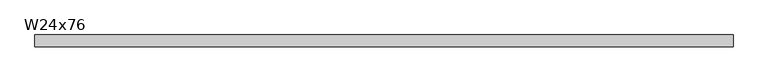
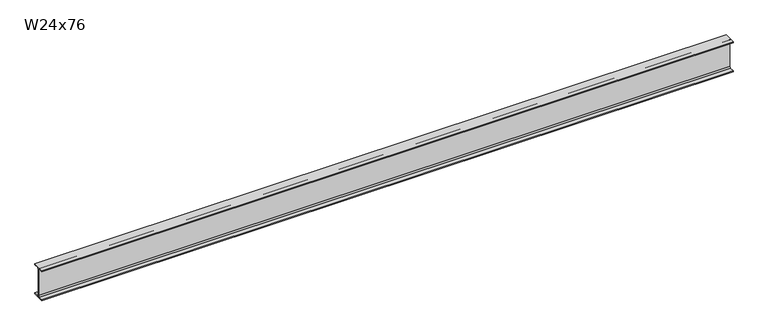
"""IFC4 building model written with IfcOpenShell, lengths in millimetres: beam geometry, W24x76."""

from ifc_helpers import new_model, si_unit, point, frame, frame_2d, origin, place, context, project, spatial, polyline, circle_curve, trimmed, segment, composite_curve, outline, extrude, source, transform, mapped, element, save


def w24x76_e883bb19(model_context):
    return source(origin(), model_context, "Body", "SweptSolid", [
        extrude(outline(composite_curve([segment(polyline([(114.173, -286.258), (114.173, -303.53), (-114.173, -303.53), (-114.173, -286.258), (-28.0035, -286.258)]), True, "CONTINUOUS"), segment(trimmed(circle_curve(frame_2d((-28.0035, -263.8425)), 22.4155), [point((-28.0035, -286.258))], [point((-5.588, -263.8425))], True, "CARTESIAN"), True, "CONTINUOUS"), segment(polyline([(-5.588, -263.8425), (-5.588, 263.8425)]), True, "CONTINUOUS"), segment(trimmed(circle_curve(frame_2d((-28.0035, 263.8425)), 22.4155), [point((-5.588, 263.8425))], [point((-28.0035, 286.258))], True, "CARTESIAN"), True, "CONTINUOUS"), segment(polyline([(-28.0035, 286.258), (-114.173, 286.258), (-114.173, 303.53), (114.173, 303.53), (114.173, 286.258), (28.0035, 286.258)]), True, "CONTINUOUS"), segment(trimmed(circle_curve(frame_2d((28.0035, 263.8425)), 22.4155), [point((28.0035, 286.258))], [point((5.588, 263.8425))], True, "CARTESIAN"), True, "CONTINUOUS"), segment(polyline([(5.588, 263.8425), (5.588, -263.8425)]), True, "CONTINUOUS"), segment(trimmed(circle_curve(frame_2d((28.0035, -263.8425)), 22.4155), [point((5.588, -263.8425))], [point((28.0035, -286.258))], True, "CARTESIAN"), True, "CONTINUOUS"), segment(polyline([(28.0035, -286.258), (114.173, -286.258)]), True, "CONTINUOUS")], self_intersect=False)), frame((-6576.6981821, 0.0, 0.0), z_axis=(1.0, 0.0, 0.0), x_axis=(0.0, 1.0, 0.0)), (0.0, 0.0, 1.0), 13258.636359),
    ])


if __name__ == "__main__":
    model = new_model("IFC4")
    model_context = context("Model", 3, world=origin())
    ifc_project = project(units=[si_unit("LENGTHUNIT", "METRE", prefix="MILLI")], contexts=[model_context])
    site = spatial("IfcSite", under=ifc_project)
    building = spatial("IfcBuilding", under=site)
    placement = place(None, origin())
    w24x76_shape = w24x76_e883bb19(model_context)
    element("IfcBeam", 1, ObjectType="W24x76", at=placement, inside=building, context=model_context, shape_type="MappedRepresentation", body=[
        mapped(w24x76_shape, transform((0.0, 0.0, 0.0), x_axis=(1.0, 0.0, 0.0), y_axis=(0.0, 1.0, 0.0), z_axis=(0.0, 0.0, 1.0))),
    ])
    save(model, "model.ifc")
